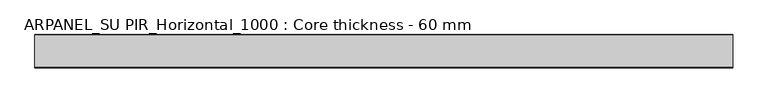
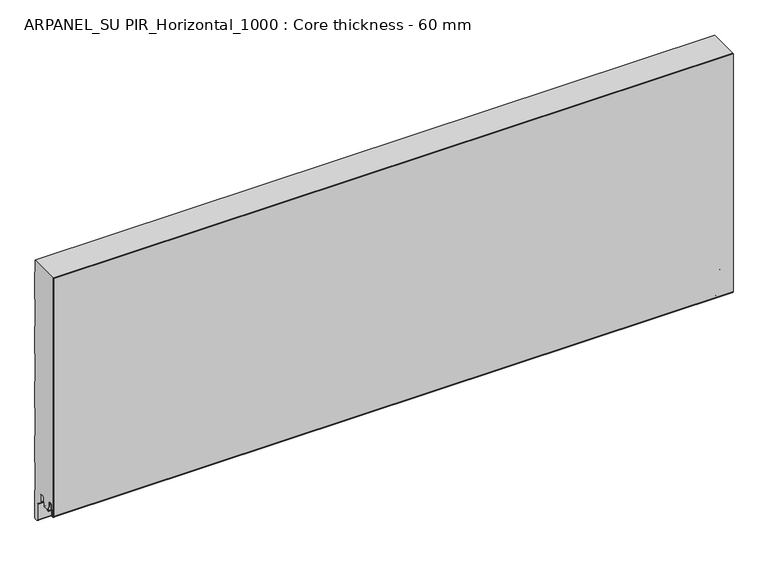
"""IFC4 building model written with IfcOpenShell, lengths in millimetres: plate geometry, ARPANEL_SU PIR_Horizontal_1000 : Core thickness - 60 mm."""

from ifc_helpers import new_model, si_unit, frame, origin, place, context, project, spatial, polyline, circle_curve, source, transform, mapped, element, save
from ifc_brep_helpers import plane_surface, cylinder_surface, revolved_surface, advanced_brep


def arpanel_su_pir_horizontal_1000_core_thickness_60_mm_45aafc5c(model_context):
    return source(origin(), model_context, "Body", "AdvancedBrep", [
        advanced_brep(
        [(620.0, -59.9996949, 40.1048196), (620.0, -53.81449, 39.8022656), (620.0, -52.197116, 56.2975213), (620.0, -49.1776715, 59.0045826), (620.0, -46.1582271, 56.2975213), (620.0, -44.7725998, 42.165801), (620.0, -40.3830995, 42.3804834), (620.0, -41.1830995, 42.3804834), (620.0, -43.9764178, 42.2438674), (620.0, -45.3620451, 56.3755876), (620.0, -49.1776715, 59.8046226), (620.0, -52.9932979, 56.3755876), (620.0, -54.6106719, 39.8803319), (620.0, -59.1996949, 40.1047726), (620.0, -59.2, 500.0), (620.0, -59.9996949, 500.0), (-620.0, -59.1996949, 40.1047726), (-620.0, -54.6106719, 39.8803319), (-620.0, -52.9932979, 56.3755876), (-620.0, -49.1776715, 59.8046226), (-620.0, -45.3620451, 56.3755876), (-620.0, -43.9764178, 42.2438674), (-620.0, -41.1830995, 42.3804834), (-620.0, -40.3830995, 42.3804834), (-620.0, -44.7725998, 42.165801), (-620.0, -46.1582271, 56.2975213), (-620.0, -49.1776715, 59.0045826), (-620.0, -52.197116, 56.2975213), (-620.0, -53.81449, 39.8022656), (-620.0, -59.9996949, 40.1048196), (-620.0, -59.9996949, 500.0), (-620.0, -59.2, 500.0)],
        [
            (0, 1, circle_curve(frame((620.0, -56.8996949, 40.1047726), z_axis=(1.0, 0.0, 0.0), x_axis=(0.0, 0.0, -1.0)), 3.1)),
            (1, 2),
            (2, 3, circle_curve(frame((620.0, -49.2114338, 56.0047726), z_axis=(-1.0, 0.0, 0.0), x_axis=(0.0, 0.0, -1.0)), 3.0)),
            (3, 4, circle_curve(frame((620.0, -49.1439093, 56.0047726), z_axis=(-1.0, 0.0, 0.0), x_axis=(0.0, 0.0, -1.0)), 3.0)),
            (4, 5),
            (5, 6, circle_curve(frame((620.0, -42.5830995, 42.3804834), z_axis=(1.0, 0.0, 0.0), x_axis=(0.0, 0.0, -1.0)), 2.2)),
            (6, 7),
            (7, 8, circle_curve(frame((620.0, -42.5830995, 42.3804834), z_axis=(-1.0, 0.0, 0.0), x_axis=(0.0, 0.0, -1.0)), 1.4)),
            (8, 9),
            (9, 10, circle_curve(frame((620.0, -49.1439093, 56.0047726), z_axis=(1.0, 0.0, 0.0), x_axis=(0.0, 0.0, -1.0)), 3.8)),
            (10, 11, circle_curve(frame((620.0, -49.2114338, 56.0047726), z_axis=(1.0, 0.0, 0.0), x_axis=(0.0, 0.0, -1.0)), 3.8)),
            (11, 12),
            (12, 13, circle_curve(frame((620.0, -56.8996949, 40.1047726), z_axis=(-1.0, 0.0, 0.0), x_axis=(0.0, 0.0, -1.0)), 2.3)),
            (13, 14),
            (14, 15),
            (15, 0),
            (16, 17, circle_curve(frame((-620.0, -56.8996949, 40.1047726), z_axis=(1.0, 0.0, 0.0), x_axis=(0.0, 0.0, -1.0)), 2.3)),
            (17, 18),
            (18, 19, circle_curve(frame((-620.0, -49.2114338, 56.0047726), z_axis=(-1.0, 0.0, 0.0), x_axis=(0.0, 0.0, -1.0)), 3.8)),
            (19, 20, circle_curve(frame((-620.0, -49.1439093, 56.0047726), z_axis=(-1.0, 0.0, 0.0), x_axis=(0.0, 0.0, -1.0)), 3.8)),
            (20, 21),
            (21, 22, circle_curve(frame((-620.0, -42.5830995, 42.3804834), z_axis=(1.0, 0.0, 0.0), x_axis=(0.0, 0.0, -1.0)), 1.4)),
            (22, 23),
            (23, 24, circle_curve(frame((-620.0, -42.5830995, 42.3804834), z_axis=(-1.0, 0.0, 0.0), x_axis=(0.0, 0.0, -1.0)), 2.2)),
            (24, 25),
            (25, 26, circle_curve(frame((-620.0, -49.1439093, 56.0047726), z_axis=(1.0, 0.0, 0.0), x_axis=(0.0, 0.0, -1.0)), 3.0)),
            (26, 27, circle_curve(frame((-620.0, -49.2114338, 56.0047726), z_axis=(1.0, 0.0, 0.0), x_axis=(0.0, 0.0, -1.0)), 3.0)),
            (27, 28),
            (28, 29, circle_curve(frame((-620.0, -56.8996949, 40.1047726), z_axis=(-1.0, 0.0, 0.0), x_axis=(0.0, 0.0, -1.0)), 3.1)),
            (29, 30),
            (30, 31),
            (31, 16),
            (13, 16),
            (31, 14),
            (29, 0),
            (15, 30),
            (12, 17),
            (11, 18),
            (10, 19),
            (9, 20),
            (8, 21),
            (7, 22),
            (6, 23),
            (5, 24),
            (4, 25),
            (3, 26),
            (2, 27),
            (1, 28),
        ],
        [
            plane_surface(frame((620.0, -60.0, 0.0), z_axis=(1.0, 0.0, 0.0), x_axis=(0.0, 1.0, 0.0))),
            plane_surface(frame((-620.0, -60.0, 0.0), z_axis=(-1.0, 0.0, 0.0), x_axis=(0.0, 1.0, 0.0))),
            plane_surface(frame((620.0, -59.2, 40.1047726), z_axis=(0.0, 1.0, 0.0), x_axis=(-1.0, 0.0, 0.0))),
            plane_surface(frame((620.0, -59.9996949, 1030.8000005), z_axis=(0.0, -1.0, 0.0), x_axis=(-1.0, 0.0, 0.0))),
            revolved_surface(polyline([(-620.0, -56.8996949, 37.8047726), (620.0, -56.8996949, 37.8047726)]), (620.0, -56.8996949, 40.1047726), (-1.0, 0.0, 0.0)),
            plane_surface(frame((620.0, -52.9932979, 56.3755876), z_axis=(0.0, -0.9952273999818314, 0.09758289975914787), x_axis=(-1.0, 0.0, 0.0))),
            cylinder_surface(frame((620.0, -49.2114338, 56.0047726), z_axis=(1.0, 0.0, 0.0), x_axis=(0.0, 0.0, -1.0)), 3.8),
            cylinder_surface(frame((620.0, -49.1439093, 56.0047726), z_axis=(1.0, 0.0, 0.0), x_axis=(0.0, 0.0, -1.0)), 3.8),
            plane_surface(frame((620.0, -43.9764178, 42.2438674), z_axis=(0.0, 0.9952273999818297, 0.09758289975916531), x_axis=(-1.0, 0.0, 0.0))),
            revolved_surface(polyline([(-620.0, -42.5830995, 40.980483400000004), (620.0, -42.5830995, 40.980483400000004)]), (620.0, -42.5830995, 42.3804834), (-1.0, 0.0, 0.0)),
            plane_surface(frame((620.0, -40.3830995, 42.3804834), z_axis=(0.0, 0.0, 1.0), x_axis=(-1.0, 0.0, 0.0))),
            cylinder_surface(frame((620.0, -42.5830995, 42.3804834), z_axis=(1.0, 0.0, 0.0), x_axis=(0.0, 0.0, -1.0)), 2.2),
            plane_surface(frame((620.0, -46.1582271, 56.2975213), z_axis=(0.0, -0.9952273999818296, -0.09758289975916527), x_axis=(-1.0, 0.0, 0.0))),
            revolved_surface(polyline([(-620.0, -49.1439093, 53.0047726), (620.0, -49.1439093, 53.0047726)]), (620.0, -49.1439093, 56.0047726), (-1.0, 0.0, 0.0)),
            revolved_surface(polyline([(-620.0, -49.2114338, 53.0047726), (620.0, -49.2114338, 53.0047726)]), (620.0, -49.2114338, 56.0047726), (-1.0, 0.0, 0.0)),
            plane_surface(frame((620.0, -53.81449, 39.8022656), z_axis=(0.0, 0.9952273999818314, -0.09758289975914787), x_axis=(-1.0, 0.0, 0.0))),
            cylinder_surface(frame((620.0, -56.8996949, 40.1047726), z_axis=(1.0, 0.0, 0.0), x_axis=(0.0, 0.0, -1.0)), 3.1),
            plane_surface(frame((-620.0, 134.0533409, 500.0), z_axis=(0.0, 0.0, 1.0), x_axis=(1.0, 0.0, 0.0))),
        ],
        [
            (0, [[1, 2, 3, 4, 5, 6, 7, 8, 9, 10, 11, 12, 13, 14, 15, 16]]),
            (1, [[17, 18, 19, 20, 21, 22, 23, 24, 25, 26, 27, 28, 29, 30, 31, 32]]),
            (2, [[33, -32, 34, -14]]),
            (3, [[35, -16, 36, -30]]),
            (4, [[-13, 37, -17, -33]]),
            (5, [[-12, 38, -18, -37]]),
            (6, [[-11, 39, -19, -38]]),
            (7, [[-10, 40, -20, -39]]),
            (8, [[-9, 41, -21, -40]]),
            (9, [[-8, 42, -22, -41]]),
            (10, [[-7, 43, -23, -42]]),
            (11, [[-6, 44, -24, -43]]),
            (12, [[-5, 45, -25, -44]]),
            (13, [[-4, 46, -26, -45]]),
            (14, [[-3, 47, -27, -46]]),
            (15, [[-2, 48, -28, -47]]),
            (16, [[-1, -35, -29, -48]]),
            (17, [[-15, -34, -31, -36]]),
        ],
    ),
        advanced_brep(
        [(620.0, -34.0468325, 41.6703125), (620.0, -34.1991613, 42.1885183), (620.0, -34.6332818, 44.6505377), (620.0, -33.8454356, 44.7894563), (620.0, -33.4113151, 42.3274369), (620.0, -30.1822811, 42.4684196), (620.0, -28.9698453, 56.3266239), (620.0, -25.1843055, 59.7954321), (620.0, -23.0, 59.7954321), (620.0, -19.2, 55.9954321), (620.0, -19.2, 43.8723898), (620.0, -17.5667978, 40.7350375), (620.0, -11.2468331, 36.3097506), (620.0, -9.2, 32.3778208), (620.0, -9.2, 2.6273641), (620.0, -7.37, 0.7973641), (620.0, -2.63, 0.7973641), (620.0, -0.8, 2.6273641), (620.0, -0.8, 54.1944521), (620.0, -1.0986697, 55.2458679), (620.0, -1.5003051, 56.6662489), (620.0, -1.5003051, 106.8260321), (620.0, -1.0971009, 108.2454435), (620.0, -0.8, 109.2978289), (620.0, -0.8, 159.4576121), (620.0, -1.0986697, 160.5090279), (620.0, -1.5003051, 161.9294089), (620.0, -1.5003051, 212.0891921), (620.0, -1.0971009, 213.5086035), (620.0, -0.8, 214.5609889), (620.0, -0.8, 264.7207721), (620.0, -1.0986697, 265.7721879), (620.0, -1.5003051, 267.1925689), (620.0, -1.5003051, 317.3523521), (620.0, -1.0971009, 318.7717635), (620.0, -0.8, 319.8241489), (620.0, -0.8, 369.9839321), (620.0, -1.0986697, 371.0353479), (620.0, -1.5003051, 372.4557289), (620.0, -1.5003051, 422.6155121), (620.0, -1.0971009, 424.0349235), (620.0, -0.8, 425.0873089), (620.0, -0.8, 475.2470921), (620.0, -1.0986697, 476.2985079), (620.0, -1.5003051, 477.7188889), (620.0, -1.5003051, 500.0), (620.0, -59.2, 500.0), (620.0, -59.2, 40.1047726), (620.0, -54.6106719, 39.8803319), (620.0, -52.9932979, 56.3755876), (620.0, -49.1776715, 59.8046226), (620.0, -45.3620451, 56.3755876), (620.0, -43.9764178, 42.2438674), (620.0, -41.1830995, 42.3804834), (620.0, -40.3830995, 42.3804834), (620.0, -40.5008754, 41.6703125), (-620.0, -34.1991613, 42.1885183), (-620.0, -34.0468325, 41.6703125), (-620.0, -40.5008754, 41.6703125), (-620.0, -40.3830995, 42.3804834), (-620.0, -41.1830995, 42.3804834), (-620.0, -43.9764178, 42.2438674), (-620.0, -45.3620451, 56.3755876), (-620.0, -49.1776715, 59.8046226), (-620.0, -52.9932979, 56.3755876), (-620.0, -54.6106719, 39.8803319), (-620.0, -59.1996949, 40.1047726), (-620.0, -59.2, 500.0), (-620.0, -1.5003051, 500.0), (-620.0, -1.5003051, 477.7188889), (-620.0, -1.0971009, 476.2994775), (-620.0, -0.8, 475.2470921), (-620.0, -0.8, 425.0873089), (-620.0, -1.0986697, 424.035893), (-620.0, -1.5003051, 422.6155121), (-620.0, -1.5003051, 372.4557289), (-620.0, -1.0971009, 371.0363175), (-620.0, -0.8, 369.9839321), (-620.0, -0.8, 319.8241489), (-620.0, -1.0986697, 318.772733), (-620.0, -1.5003051, 317.3523521), (-620.0, -1.5003051, 267.1925689), (-620.0, -1.0971009, 265.7731575), (-620.0, -0.8, 264.7207721), (-620.0, -0.8, 214.5609889), (-620.0, -1.0986697, 213.509573), (-620.0, -1.5003051, 212.0891921), (-620.0, -1.5003051, 161.9294089), (-620.0, -1.0971009, 160.5099975), (-620.0, -0.8, 159.4576121), (-620.0, -0.8, 109.2978289), (-620.0, -1.0986697, 108.246413), (-620.0, -1.5003051, 106.8260321), (-620.0, -1.5003051, 56.6662489), (-620.0, -1.0971009, 55.2468375), (-620.0, -0.8, 54.1944521), (-620.0, -0.8, 2.6273641), (-620.0, -2.63, 0.7973641), (-620.0, -7.37, 0.7973641), (-620.0, -9.2, 2.6273641), (-620.0, -9.2, 32.3778208), (-620.0, -11.2468331, 36.3097506), (-620.0, -17.5667978, 40.7350375), (-620.0, -19.2, 43.8723898), (-620.0, -19.2, 55.9954321), (-620.0, -23.0, 59.7954321), (-620.0, -25.1843055, 59.7954321), (-620.0, -28.9698453, 56.3266239), (-620.0, -30.1822811, 42.4684196), (-620.0, -33.4113151, 42.3274369), (-620.0, -33.8454356, 44.7894563), (-620.0, -34.6332818, 44.6505377)],
        [
            (0, 1, circle_curve(frame((620.0, -31.8060785, 42.6104834), z_axis=(-1.0, 0.0, 0.0), x_axis=(0.0, 0.0, -1.0)), 2.43)),
            (1, 2),
            (2, 3),
            (3, 4),
            (4, 5, circle_curve(frame((620.0, -31.8060785, 42.6104834), z_axis=(1.0, 0.0, 0.0), x_axis=(0.0, 0.0, -1.0)), 1.63)),
            (5, 6),
            (6, 7, circle_curve(frame((620.0, -25.1843055, 55.9954321), z_axis=(-1.0, 0.0, 0.0), x_axis=(0.0, 0.0, -1.0)), 3.8)),
            (7, 8),
            (8, 9, circle_curve(frame((620.0, -23.0, 55.9954321), z_axis=(-1.0, 0.0, 0.0), x_axis=(0.0, 0.0, -1.0)), 3.8)),
            (9, 10),
            (10, 11, circle_curve(frame((620.0, -15.37, 43.8723898), z_axis=(1.0, 0.0, 0.0), x_axis=(0.0, 0.0, -1.0)), 3.83)),
            (11, 12),
            (12, 13, circle_curve(frame((620.0, -14.0, 32.3778208), z_axis=(-1.0, 0.0, 0.0), x_axis=(0.0, 0.0, -1.0)), 4.8)),
            (13, 14),
            (14, 15, circle_curve(frame((620.0, -7.37, 2.6273641), z_axis=(1.0, 0.0, 0.0), x_axis=(0.0, 0.0, -1.0)), 1.83)),
            (15, 16),
            (16, 17, circle_curve(frame((620.0, -2.63, 2.6273641), z_axis=(1.0, 0.0, 0.0), x_axis=(0.0, 0.0, -1.0)), 1.83)),
            (17, 18),
            (18, 19, circle_curve(frame((620.0, -2.8, 54.1944521), z_axis=(1.0, 0.0, 0.0), x_axis=(0.0, 0.0, -1.0)), 2.0)),
            (19, 20, circle_curve(frame((620.0, 1.1996949, 56.6662489), z_axis=(-1.0, 0.0, 0.0), x_axis=(0.0, 0.0, -1.0)), 2.7)),
            (20, 21),
            (21, 22, circle_curve(frame((620.0, 1.1996949, 106.8260321), z_axis=(-1.0, 0.0, 0.0), x_axis=(0.0, 0.0, -1.0)), 2.7)),
            (22, 23, circle_curve(frame((620.0, -2.8, 109.2978289), z_axis=(1.0, 0.0, 0.0), x_axis=(0.0, 0.0, -1.0)), 2.0)),
            (23, 24),
            (24, 25, circle_curve(frame((620.0, -2.8, 159.4576121), z_axis=(1.0, 0.0, 0.0), x_axis=(0.0, 0.0, -1.0)), 2.0)),
            (25, 26, circle_curve(frame((620.0, 1.1996949, 161.9294089), z_axis=(-1.0, 0.0, 0.0), x_axis=(0.0, 0.0, -1.0)), 2.7)),
            (26, 27),
            (27, 28, circle_curve(frame((620.0, 1.1996949, 212.0891921), z_axis=(-1.0, 0.0, 0.0), x_axis=(0.0, 0.0, -1.0)), 2.7)),
            (28, 29, circle_curve(frame((620.0, -2.8, 214.5609889), z_axis=(1.0, 0.0, 0.0), x_axis=(0.0, 0.0, -1.0)), 2.0)),
            (29, 30),
            (30, 31, circle_curve(frame((620.0, -2.8, 264.7207721), z_axis=(1.0, 0.0, 0.0), x_axis=(0.0, 0.0, -1.0)), 2.0)),
            (31, 32, circle_curve(frame((620.0, 1.1996949, 267.1925689), z_axis=(-1.0, 0.0, 0.0), x_axis=(0.0, 0.0, -1.0)), 2.7)),
            (32, 33),
            (33, 34, circle_curve(frame((620.0, 1.1996949, 317.3523521), z_axis=(-1.0, 0.0, 0.0), x_axis=(0.0, 0.0, -1.0)), 2.7)),
            (34, 35, circle_curve(frame((620.0, -2.8, 319.8241489), z_axis=(1.0, 0.0, 0.0), x_axis=(0.0, 0.0, -1.0)), 2.0)),
            (35, 36),
            (36, 37, circle_curve(frame((620.0, -2.8, 369.9839321), z_axis=(1.0, 0.0, 0.0), x_axis=(0.0, 0.0, -1.0)), 2.0)),
            (37, 38, circle_curve(frame((620.0, 1.1996949, 372.4557289), z_axis=(-1.0, 0.0, 0.0), x_axis=(0.0, 0.0, -1.0)), 2.7)),
            (38, 39),
            (39, 40, circle_curve(frame((620.0, 1.1996949, 422.6155121), z_axis=(-1.0, 0.0, 0.0), x_axis=(0.0, 0.0, -1.0)), 2.7)),
            (40, 41, circle_curve(frame((620.0, -2.8, 425.0873089), z_axis=(1.0, 0.0, 0.0), x_axis=(0.0, 0.0, -1.0)), 2.0)),
            (41, 42),
            (42, 43, circle_curve(frame((620.0, -2.8, 475.2470921), z_axis=(1.0, 0.0, 0.0), x_axis=(0.0, 0.0, -1.0)), 2.0)),
            (43, 44, circle_curve(frame((620.0, 1.1996949, 477.7188889), z_axis=(-1.0, 0.0, 0.0), x_axis=(0.0, 0.0, -1.0)), 2.7)),
            (44, 45),
            (45, 46),
            (46, 47),
            (47, 48, circle_curve(frame((620.0, -56.8996949, 40.1047726), z_axis=(1.0, 0.0, 0.0), x_axis=(0.0, 0.0, -1.0)), 2.3)),
            (48, 49),
            (49, 50, circle_curve(frame((620.0, -49.2114338, 56.0047726), z_axis=(-1.0, 0.0, 0.0), x_axis=(0.0, 0.0, -1.0)), 3.8)),
            (50, 51, circle_curve(frame((620.0, -49.1439093, 56.0047726), z_axis=(-1.0, 0.0, 0.0), x_axis=(0.0, 0.0, -1.0)), 3.8)),
            (51, 52),
            (52, 53, circle_curve(frame((620.0, -42.5830995, 42.3804834), z_axis=(1.0, 0.0, 0.0), x_axis=(0.0, 0.0, -1.0)), 1.4)),
            (53, 54),
            (54, 55, circle_curve(frame((620.0, -42.5830995, 42.3804834), z_axis=(-1.0, 0.0, 0.0), x_axis=(0.0, 0.0, -1.0)), 2.2)),
            (55, 0),
            (56, 57, circle_curve(frame((-620.0, -31.8060785, 42.6104834), z_axis=(1.0, 0.0, 0.0), x_axis=(0.0, 0.0, -1.0)), 2.43)),
            (57, 58),
            (58, 59, circle_curve(frame((-620.0, -42.5830995, 42.3804834), z_axis=(1.0, 0.0, 0.0), x_axis=(0.0, 0.0, -1.0)), 2.2)),
            (59, 60),
            (60, 61, circle_curve(frame((-620.0, -42.5830995, 42.3804834), z_axis=(-1.0, 0.0, 0.0), x_axis=(0.0, 0.0, -1.0)), 1.4)),
            (61, 62),
            (62, 63, circle_curve(frame((-620.0, -49.1439093, 56.0047726), z_axis=(1.0, 0.0, 0.0), x_axis=(0.0, 0.0, -1.0)), 3.8)),
            (63, 64, circle_curve(frame((-620.0, -49.2114338, 56.0047726), z_axis=(1.0, 0.0, 0.0), x_axis=(0.0, 0.0, -1.0)), 3.8)),
            (64, 65),
            (65, 66, circle_curve(frame((-620.0, -56.8996949, 40.1047726), z_axis=(-1.0, 0.0, 0.0), x_axis=(0.0, 0.0, -1.0)), 2.3)),
            (66, 67),
            (67, 68),
            (68, 69),
            (69, 70, circle_curve(frame((-620.0, 1.1996949, 477.7188889), z_axis=(1.0, 0.0, 0.0), x_axis=(0.0, 0.0, -1.0)), 2.7)),
            (70, 71, circle_curve(frame((-620.0, -2.8, 475.2470921), z_axis=(-1.0, 0.0, 0.0), x_axis=(0.0, 0.0, -1.0)), 2.0)),
            (71, 72),
            (72, 73, circle_curve(frame((-620.0, -2.8, 425.0873089), z_axis=(-1.0, 0.0, 0.0), x_axis=(0.0, 0.0, -1.0)), 2.0)),
            (73, 74, circle_curve(frame((-620.0, 1.1996949, 422.6155121), z_axis=(1.0, 0.0, 0.0), x_axis=(0.0, 0.0, -1.0)), 2.7)),
            (74, 75),
            (75, 76, circle_curve(frame((-620.0, 1.1996949, 372.4557289), z_axis=(1.0, 0.0, 0.0), x_axis=(0.0, 0.0, -1.0)), 2.7)),
            (76, 77, circle_curve(frame((-620.0, -2.8, 369.9839321), z_axis=(-1.0, 0.0, 0.0), x_axis=(0.0, 0.0, -1.0)), 2.0)),
            (77, 78),
            (78, 79, circle_curve(frame((-620.0, -2.8, 319.8241489), z_axis=(-1.0, 0.0, 0.0), x_axis=(0.0, 0.0, -1.0)), 2.0)),
            (79, 80, circle_curve(frame((-620.0, 1.1996949, 317.3523521), z_axis=(1.0, 0.0, 0.0), x_axis=(0.0, 0.0, -1.0)), 2.7)),
            (80, 81),
            (81, 82, circle_curve(frame((-620.0, 1.1996949, 267.1925689), z_axis=(1.0, 0.0, 0.0), x_axis=(0.0, 0.0, -1.0)), 2.7)),
            (82, 83, circle_curve(frame((-620.0, -2.8, 264.7207721), z_axis=(-1.0, 0.0, 0.0), x_axis=(0.0, 0.0, -1.0)), 2.0)),
            (83, 84),
            (84, 85, circle_curve(frame((-620.0, -2.8, 214.5609889), z_axis=(-1.0, 0.0, 0.0), x_axis=(0.0, 0.0, -1.0)), 2.0)),
            (85, 86, circle_curve(frame((-620.0, 1.1996949, 212.0891921), z_axis=(1.0, 0.0, 0.0), x_axis=(0.0, 0.0, -1.0)), 2.7)),
            (86, 87),
            (87, 88, circle_curve(frame((-620.0, 1.1996949, 161.9294089), z_axis=(1.0, 0.0, 0.0), x_axis=(0.0, 0.0, -1.0)), 2.7)),
            (88, 89, circle_curve(frame((-620.0, -2.8, 159.4576121), z_axis=(-1.0, 0.0, 0.0), x_axis=(0.0, 0.0, -1.0)), 2.0)),
            (89, 90),
            (90, 91, circle_curve(frame((-620.0, -2.8, 109.2978289), z_axis=(-1.0, 0.0, 0.0), x_axis=(0.0, 0.0, -1.0)), 2.0)),
            (91, 92, circle_curve(frame((-620.0, 1.1996949, 106.8260321), z_axis=(1.0, 0.0, 0.0), x_axis=(0.0, 0.0, -1.0)), 2.7)),
            (92, 93),
            (93, 94, circle_curve(frame((-620.0, 1.1996949, 56.6662489), z_axis=(1.0, 0.0, 0.0), x_axis=(0.0, 0.0, -1.0)), 2.7)),
            (94, 95, circle_curve(frame((-620.0, -2.8, 54.1944521), z_axis=(-1.0, 0.0, 0.0), x_axis=(0.0, 0.0, -1.0)), 2.0)),
            (95, 96),
            (96, 97, circle_curve(frame((-620.0, -2.63, 2.6273641), z_axis=(-1.0, 0.0, 0.0), x_axis=(0.0, 0.0, -1.0)), 1.83)),
            (97, 98),
            (98, 99, circle_curve(frame((-620.0, -7.37, 2.6273641), z_axis=(-1.0, 0.0, 0.0), x_axis=(0.0, 0.0, -1.0)), 1.83)),
            (99, 100),
            (100, 101, circle_curve(frame((-620.0, -14.0, 32.3778208), z_axis=(1.0, 0.0, 0.0), x_axis=(0.0, 0.0, -1.0)), 4.8)),
            (101, 102),
            (102, 103, circle_curve(frame((-620.0, -15.37, 43.8723898), z_axis=(-1.0, 0.0, 0.0), x_axis=(0.0, 0.0, -1.0)), 3.83)),
            (103, 104),
            (104, 105, circle_curve(frame((-620.0, -23.0, 55.9954321), z_axis=(1.0, 0.0, 0.0), x_axis=(0.0, 0.0, -1.0)), 3.8)),
            (105, 106),
            (106, 107, circle_curve(frame((-620.0, -25.1843055, 55.9954321), z_axis=(1.0, 0.0, 0.0), x_axis=(0.0, 0.0, -1.0)), 3.8)),
            (107, 108),
            (108, 109, circle_curve(frame((-620.0, -31.8060785, 42.6104834), z_axis=(-1.0, 0.0, 0.0), x_axis=(0.0, 0.0, -1.0)), 1.63)),
            (109, 110),
            (110, 111),
            (111, 56),
            (57, 0),
            (55, 58),
            (66, 47),
            (46, 67),
            (65, 48),
            (64, 49),
            (63, 50),
            (62, 51),
            (61, 52),
            (60, 53),
            (59, 54),
            (56, 1),
            (111, 2),
            (110, 3),
            (109, 4),
            (108, 5),
            (107, 6),
            (106, 7),
            (105, 8),
            (104, 9),
            (103, 10),
            (102, 11),
            (101, 12),
            (100, 13),
            (99, 14),
            (98, 15),
            (97, 16),
            (96, 17),
            (95, 18),
            (94, 19),
            (93, 20),
            (92, 21),
            (91, 22),
            (90, 23),
            (89, 24),
            (88, 25),
            (87, 26),
            (86, 27),
            (85, 28),
            (84, 29),
            (83, 30),
            (82, 31),
            (81, 32),
            (80, 33),
            (79, 34),
            (78, 35),
            (77, 36),
            (76, 37),
            (75, 38),
            (74, 39),
            (73, 40),
            (72, 41),
            (71, 42),
            (70, 43),
            (69, 44),
            (68, 45),
        ],
        [
            plane_surface(frame((620.0, 0.0, 0.0), z_axis=(1.0, 0.0, 0.0), x_axis=(0.0, -1.0, 0.0))),
            plane_surface(frame((-620.0, 0.0, 0.0), z_axis=(-1.0, 0.0, 0.0), x_axis=(0.0, -1.0, 0.0))),
            plane_surface(frame((620.0, -41.0, 41.6703125), z_axis=(0.0, 0.0, -1.0), x_axis=(-1.0, 0.0, 0.0))),
            plane_surface(frame((750.0, -59.2, 40.1047726), z_axis=(0.0, -1.0, 0.0), x_axis=(-1.0, 0.0, 0.0))),
            cylinder_surface(frame((750.0, -56.8996949, 40.1047726), z_axis=(-1.0, 0.0, 0.0), x_axis=(0.0, 0.0, -1.0)), 2.3),
            plane_surface(frame((750.0, -52.9932979, 56.3755876), z_axis=(0.0, 0.9952273999818314, -0.09758289975914787), x_axis=(-1.0, 0.0, 0.0))),
            revolved_surface(polyline([(620.0, -49.2114338, 52.204772600000005), (-620.0, -49.2114338, 52.204772600000005)]), (750.0, -49.2114338, 56.0047726), (1.0, 0.0, 0.0)),
            revolved_surface(polyline([(620.0, -49.1439093, 52.204772600000005), (-620.0, -49.1439093, 52.204772600000005)]), (750.0, -49.1439093, 56.0047726), (1.0, 0.0, 0.0)),
            plane_surface(frame((750.0, -43.9764178, 42.2438674), z_axis=(0.0, -0.9952273999818297, -0.09758289975916531), x_axis=(-1.0, 0.0, 0.0))),
            cylinder_surface(frame((750.0, -42.5830995, 42.3804834), z_axis=(-1.0, 0.0, 0.0), x_axis=(0.0, 0.0, -1.0)), 1.4),
            plane_surface(frame((750.0, -40.3830995, 42.3804834), z_axis=(0.0, 0.0, -1.0), x_axis=(-1.0, 0.0, 0.0))),
            revolved_surface(polyline([(620.0, -42.5830995, 40.1804834), (-620.0, -42.5830995, 40.1804834)]), (750.0, -42.5830995, 42.3804834), (1.0, 0.0, 0.0)),
            revolved_surface(polyline([(620.0, -31.8060785, 40.1804834), (-620.0, -31.8060785, 40.1804834)]), (750.0, -31.8060785, 42.6104834), (1.0, 0.0, 0.0)),
            plane_surface(frame((750.0, -34.6332818, 44.6505377), z_axis=(0.0, 0.9848077530122206, 0.1736481776668594), x_axis=(-1.0, 0.0, 0.0))),
            plane_surface(frame((750.0, -33.8454356, 44.7894563), z_axis=(0.0, 0.17364817766684099, -0.9848077530122239), x_axis=(-1.0, 0.0, 0.0))),
            plane_surface(frame((750.0, -33.4113151, 42.3274369), z_axis=(0.0, -0.9848077530122203, -0.17364817766686078), x_axis=(-1.0, 0.0, 0.0))),
            cylinder_surface(frame((750.0, -31.8060785, 42.6104834), z_axis=(-1.0, 0.0, 0.0), x_axis=(0.0, 0.0, -1.0)), 1.63),
            plane_surface(frame((750.0, -28.9698453, 56.3266239), z_axis=(0.0, 0.996194698091768, -0.08715574274740188), x_axis=(-1.0, 0.0, 0.0))),
            revolved_surface(polyline([(620.0, -25.1843055, 52.195432100000005), (-620.0, -25.1843055, 52.195432100000005)]), (750.0, -25.1843055, 55.9954321), (1.0, 0.0, 0.0)),
            plane_surface(frame((750.0, -23.0, 59.7954321), z_axis=(0.0, 0.0, -1.0), x_axis=(-1.0, 0.0, 0.0))),
            revolved_surface(polyline([(620.0, -23.0, 52.195432100000005), (-620.0, -23.0, 52.195432100000005)]), (750.0, -23.0, 55.9954321), (1.0, 0.0, 0.0)),
            plane_surface(frame((750.0, -19.2, 43.8723898), z_axis=(0.0, -1.0, 0.0), x_axis=(-1.0, 0.0, 0.0))),
            cylinder_surface(frame((750.0, -15.37, 43.8723898), z_axis=(-1.0, 0.0, 0.0), x_axis=(0.0, 0.0, -1.0)), 3.83),
            plane_surface(frame((750.0, -11.2468331, 36.3097506), z_axis=(0.0, -0.5735764363510797, -0.8191520442889684), x_axis=(-1.0, 0.0, 0.0))),
            revolved_surface(polyline([(620.0, -14.0, 27.5778208), (-620.0, -14.0, 27.5778208)]), (750.0, -14.0, 32.3778208), (1.0, 0.0, 0.0)),
            plane_surface(frame((750.0, -9.2, 2.6273641), z_axis=(0.0, -1.0, 0.0), x_axis=(-1.0, 0.0, 0.0))),
            cylinder_surface(frame((750.0, -7.37, 2.6273641), z_axis=(-1.0, 0.0, 0.0), x_axis=(0.0, 0.0, -1.0)), 1.83),
            plane_surface(frame((750.0, -2.63, 0.7973641), z_axis=(0.0, 0.0, -1.0), x_axis=(-1.0, 0.0, 0.0))),
            cylinder_surface(frame((750.0, -2.63, 2.6273641), z_axis=(-1.0, 0.0, 0.0), x_axis=(0.0, 0.0, -1.0)), 1.83),
            plane_surface(frame((750.0, -0.8, 54.1944521), z_axis=(0.0, 1.0, 0.0), x_axis=(-1.0, 0.0, 0.0))),
            cylinder_surface(frame((750.0, -2.8, 54.1944521), z_axis=(-1.0, 0.0, 0.0), x_axis=(0.0, 0.0, -1.0)), 2.0),
            revolved_surface(polyline([(620.0, 1.1996949, 53.9662489), (-620.0, 1.1996949, 53.9662489)]), (750.0, 1.1996949, 56.6662489), (1.0, 0.0, 0.0)),
            plane_surface(frame((750.0, -1.5003051, 106.8260321), z_axis=(0.0, 1.0, 0.0), x_axis=(-1.0, 0.0, 0.0))),
            revolved_surface(polyline([(620.0, 1.1996949, 104.1260321), (-620.0, 1.1996949, 104.1260321)]), (750.0, 1.1996949, 106.8260321), (1.0, 0.0, 0.0)),
            cylinder_surface(frame((750.0, -2.8, 109.2978289), z_axis=(-1.0, 0.0, 0.0), x_axis=(0.0, 0.0, -1.0)), 2.0),
            plane_surface(frame((750.0, -0.8, 159.4576121), z_axis=(0.0, 1.0, 0.0), x_axis=(-1.0, 0.0, 0.0))),
            cylinder_surface(frame((750.0, -2.8, 159.4576121), z_axis=(-1.0, 0.0, 0.0), x_axis=(0.0, 0.0, -1.0)), 2.0),
            revolved_surface(polyline([(620.0, 1.1996949, 159.2294089), (-620.0, 1.1996949, 159.2294089)]), (750.0, 1.1996949, 161.9294089), (1.0, 0.0, 0.0)),
            plane_surface(frame((750.0, -1.5003051, 212.0891921), z_axis=(0.0, 1.0, 0.0), x_axis=(-1.0, 0.0, 0.0))),
            revolved_surface(polyline([(620.0, 1.1996949, 209.3891921), (-620.0, 1.1996949, 209.3891921)]), (750.0, 1.1996949, 212.0891921), (1.0, 0.0, 0.0)),
            cylinder_surface(frame((750.0, -2.8, 214.5609889), z_axis=(-1.0, 0.0, 0.0), x_axis=(0.0, 0.0, -1.0)), 2.0),
            plane_surface(frame((750.0, -0.8, 264.7207721), z_axis=(0.0, 1.0, 0.0), x_axis=(-1.0, 0.0, 0.0))),
            cylinder_surface(frame((750.0, -2.8, 264.7207721), z_axis=(-1.0, 0.0, 0.0), x_axis=(0.0, 0.0, -1.0)), 2.0),
            revolved_surface(polyline([(620.0, 1.1996949, 264.49256890000004), (-620.0, 1.1996949, 264.49256890000004)]), (750.0, 1.1996949, 267.1925689), (1.0, 0.0, 0.0)),
            plane_surface(frame((750.0, -1.5003051, 317.3523521), z_axis=(0.0, 1.0, 0.0), x_axis=(-1.0, 0.0, 0.0))),
            revolved_surface(polyline([(620.0, 1.1996949, 314.65235210000003), (-620.0, 1.1996949, 314.65235210000003)]), (750.0, 1.1996949, 317.3523521), (1.0, 0.0, 0.0)),
            cylinder_surface(frame((750.0, -2.8, 319.8241489), z_axis=(-1.0, 0.0, 0.0), x_axis=(0.0, 0.0, -1.0)), 2.0),
            plane_surface(frame((750.0, -0.8, 369.9839321), z_axis=(0.0, 1.0, 0.0), x_axis=(-1.0, 0.0, 0.0))),
            cylinder_surface(frame((750.0, -2.8, 369.9839321), z_axis=(-1.0, 0.0, 0.0), x_axis=(0.0, 0.0, -1.0)), 2.0),
            revolved_surface(polyline([(620.0, 1.1996949, 369.7557289), (-620.0, 1.1996949, 369.7557289)]), (750.0, 1.1996949, 372.4557289), (1.0, 0.0, 0.0)),
            plane_surface(frame((750.0, -1.5003051, 422.6155121), z_axis=(0.0, 1.0, 0.0), x_axis=(-1.0, 0.0, 0.0))),
            revolved_surface(polyline([(620.0, 1.1996949, 419.9155121), (-620.0, 1.1996949, 419.9155121)]), (750.0, 1.1996949, 422.6155121), (1.0, 0.0, 0.0)),
            cylinder_surface(frame((750.0, -2.8, 425.0873089), z_axis=(-1.0, 0.0, 0.0), x_axis=(0.0, 0.0, -1.0)), 2.0),
            plane_surface(frame((750.0, -0.8, 475.2470921), z_axis=(0.0, 1.0, 0.0), x_axis=(-1.0, 0.0, 0.0))),
            cylinder_surface(frame((750.0, -2.8, 475.2470921), z_axis=(-1.0, 0.0, 0.0), x_axis=(0.0, 0.0, -1.0)), 2.0),
            revolved_surface(polyline([(620.0, 1.1996949, 475.01888890000004), (-620.0, 1.1996949, 475.01888890000004)]), (750.0, 1.1996949, 477.7188889), (1.0, 0.0, 0.0)),
            plane_surface(frame((750.0, -1.5003051, 527.8786721), z_axis=(0.0, 1.0, 0.0), x_axis=(-1.0, 0.0, 0.0))),
            plane_surface(frame((-620.0, 134.0533409, 500.0), z_axis=(0.0, 0.0, 1.0), x_axis=(1.0, 0.0, 0.0))),
        ],
        [
            (0, [[1, 2, 3, 4, 5, 6, 7, 8, 9, 10, 11, 12, 13, 14, 15, 16, 17, 18, 19, 20, 21, 22, 23, 24, 25, 26, 27, 28, 29, 30, 31, 32, 33, 34, 35, 36, 37, 38, 39, 40, 41, 42, 43, 44, 45, 46, 47, 48, 49, 50, 51, 52, 53, 54, 55, 56]]),
            (1, [[57, 58, 59, 60, 61, 62, 63, 64, 65, 66, 67, 68, 69, 70, 71, 72, 73, 74, 75, 76, 77, 78, 79, 80, 81, 82, 83, 84, 85, 86, 87, 88, 89, 90, 91, 92, 93, 94, 95, 96, 97, 98, 99, 100, 101, 102, 103, 104, 105, 106, 107, 108, 109, 110, 111, 112]]),
            (2, [[113, -56, 114, -58]]),
            (3, [[115, -47, 116, -67]]),
            (4, [[-115, -66, 117, -48]]),
            (5, [[-117, -65, 118, -49]]),
            (6, [[-118, -64, 119, -50]]),
            (7, [[-119, -63, 120, -51]]),
            (8, [[-120, -62, 121, -52]]),
            (9, [[-121, -61, 122, -53]]),
            (10, [[-122, -60, 123, -54]]),
            (11, [[-123, -59, -114, -55]]),
            (12, [[124, -1, -113, -57]]),
            (13, [[-124, -112, 125, -2]]),
            (14, [[-125, -111, 126, -3]]),
            (15, [[-126, -110, 127, -4]]),
            (16, [[-127, -109, 128, -5]]),
            (17, [[-128, -108, 129, -6]]),
            (18, [[-129, -107, 130, -7]]),
            (19, [[-130, -106, 131, -8]]),
            (20, [[-131, -105, 132, -9]]),
            (21, [[-132, -104, 133, -10]]),
            (22, [[-133, -103, 134, -11]]),
            (23, [[-134, -102, 135, -12]]),
            (24, [[-135, -101, 136, -13]]),
            (25, [[-136, -100, 137, -14]]),
            (26, [[-137, -99, 138, -15]]),
            (27, [[-138, -98, 139, -16]]),
            (28, [[-139, -97, 140, -17]]),
            (29, [[-140, -96, 141, -18]]),
            (30, [[-141, -95, 142, -19]]),
            (31, [[-142, -94, 143, -20]]),
            (32, [[-143, -93, 144, -21]]),
            (33, [[-144, -92, 145, -22]]),
            (34, [[-145, -91, 146, -23]]),
            (35, [[-146, -90, 147, -24]]),
            (36, [[-147, -89, 148, -25]]),
            (37, [[-148, -88, 149, -26]]),
            (38, [[-149, -87, 150, -27]]),
            (39, [[-150, -86, 151, -28]]),
            (40, [[-151, -85, 152, -29]]),
            (41, [[-152, -84, 153, -30]]),
            (42, [[-153, -83, 154, -31]]),
            (43, [[-154, -82, 155, -32]]),
            (44, [[-155, -81, 156, -33]]),
            (45, [[-156, -80, 157, -34]]),
            (46, [[-157, -79, 158, -35]]),
            (47, [[-158, -78, 159, -36]]),
            (48, [[-159, -77, 160, -37]]),
            (49, [[-160, -76, 161, -38]]),
            (50, [[-161, -75, 162, -39]]),
            (51, [[-162, -74, 163, -40]]),
            (52, [[-163, -73, 164, -41]]),
            (53, [[-164, -72, 165, -42]]),
            (54, [[-165, -71, 166, -43]]),
            (55, [[-166, -70, 167, -44]]),
            (56, [[-167, -69, 168, -45]]),
            (57, [[-168, -68, -116, -46]]),
        ],
    ),
    ])


if __name__ == "__main__":
    model = new_model("IFC4")
    model_context = context("Model", 3, world=origin())
    ifc_project = project(units=[si_unit("LENGTHUNIT", "METRE", prefix="MILLI")], contexts=[model_context])
    site = spatial("IfcSite", under=ifc_project)
    building = spatial("IfcBuilding", under=site)
    placement = place(None, origin())
    arpanel_su_pir_horizontal_1000_core_thickness_60_mm_shape = arpanel_su_pir_horizontal_1000_core_thickness_60_mm_45aafc5c(model_context)
    element("IfcPlate", 1, ObjectType="ARPANEL_SU PIR_Horizontal_1000 : Core thickness - 60 mm", at=placement, inside=building, context=model_context, shape_type="MappedRepresentation", body=[
        mapped(arpanel_su_pir_horizontal_1000_core_thickness_60_mm_shape, transform((0.0, 0.0, 0.0), x_axis=(1.0, 0.0, 0.0), y_axis=(0.0, 1.0, 0.0), z_axis=(0.0, 0.0, 1.0))),
    ])
    save(model, "model.ifc")
